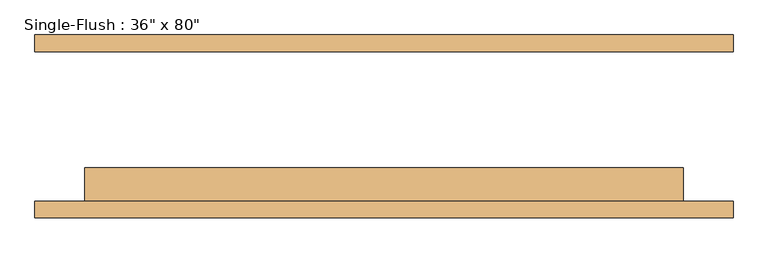
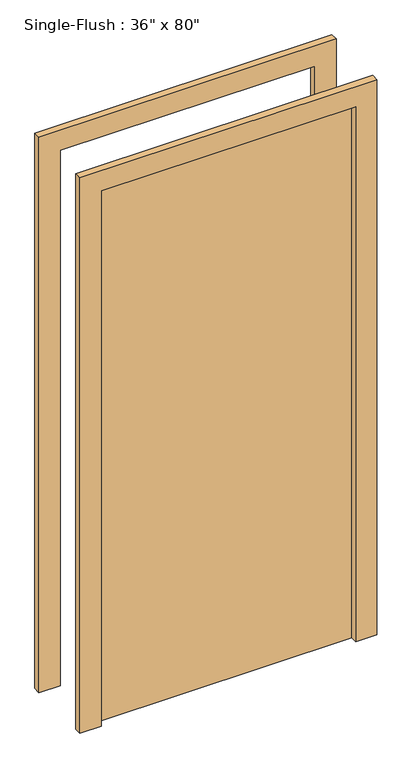
"""IFC4 building model written with IfcOpenShell, lengths in millimetres: door geometry."""

from ifc_helpers import new_model, si_unit, frame, origin, origin_with_axes, place, context, project, spatial, polyline, outline, extrude, source, transform, mapped, element, save


def door_ef0d591a(model_context):
    return source(origin(), model_context, "Body", "SweptSolid", [
        extrude(outline(polyline([(2108.2, -533.4), (0.0, -533.4), (0.0, -457.2), (2032.0, -457.2), (2032.0, 457.2), (0.0, 457.2), (0.0, 533.4), (2108.2, 533.4), (2108.2, -533.4)])), frame((0.0, -139.7, 0.0), z_axis=(0.0, 1.0, 0.0), x_axis=(0.0, 0.0, 1.0)), (0.0, 0.0, 1.0), 25.4),
        extrude(outline(polyline([(2108.2, 533.4), (2108.2, -533.4), (0.0, -533.4), (0.0, -457.2), (2032.0, -457.2), (2032.0, 457.2), (0.0, 457.2), (0.0, 533.4), (2108.2, 533.4)])), frame((0.0, 114.3, 0.0), z_axis=(0.0, 1.0, 0.0), x_axis=(0.0, 0.0, 1.0)), (0.0, 0.0, 1.0), 25.4),
        extrude(outline(polyline([(457.2, -63.5), (457.2, -114.3), (-457.2, -114.3), (-457.2, -63.5), (457.2, -63.5)])), origin_with_axes(), (0.0, 0.0, 1.0), 2032.0),
    ])


if __name__ == "__main__":
    model = new_model("IFC4")
    model_context = context("Model", 3, world=origin())
    ifc_project = project(units=[si_unit("LENGTHUNIT", "METRE", prefix="MILLI")], contexts=[model_context])
    site = spatial("IfcSite", under=ifc_project)
    building = spatial("IfcBuilding", under=site)
    placement = place(None, origin())
    door_shape = door_ef0d591a(model_context)
    element("IfcDoor", 1, ObjectType="Single-Flush : 36\" x 80\"", at=placement, inside=building, context=model_context, shape_type="MappedRepresentation", body=[
        mapped(door_shape, transform((0.0, 0.0, 0.0), x_axis=(1.0, 0.0, 0.0), y_axis=(0.0, 1.0, 0.0), z_axis=(0.0, 0.0, 1.0))),
    ])
    save(model, "model.ifc")
